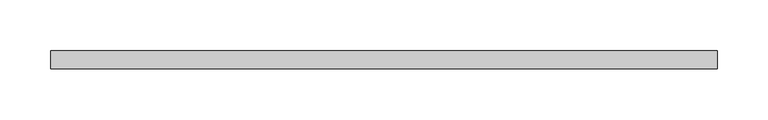
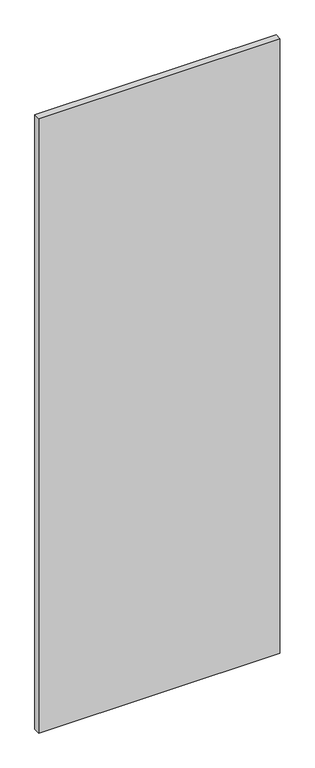
"""IFC4 building model written with IfcOpenShell, lengths in millimetres: plate geometry."""

from ifc_helpers import new_model, si_unit, origin, origin_with_axes, place, context, project, spatial, polyline, outline, extrude, source, transform, mapped, element, save


def plate_bf2a8b58(model_context):
    return source(origin(), model_context, "Body", "SweptSolid", [
        extrude(outline(polyline([(327.0579102, -8.73125), (-327.0579102, -8.73125), (-327.0579102, 8.73125), (327.0579102, 8.73125), (327.0579102, -8.73125)])), origin_with_axes(), (0.0, 0.0, 1.0), 1761.3),
    ])


if __name__ == "__main__":
    model = new_model("IFC4")
    model_context = context("Model", 3, world=origin())
    ifc_project = project(units=[si_unit("LENGTHUNIT", "METRE", prefix="MILLI")], contexts=[model_context])
    site = spatial("IfcSite", under=ifc_project)
    building = spatial("IfcBuilding", under=site)
    placement = place(None, origin())
    plate_shape = plate_bf2a8b58(model_context)
    element("IfcPlate", 1, at=placement, inside=building, context=model_context, shape_type="MappedRepresentation", body=[
        mapped(plate_shape, transform((0.0, 0.0, 0.0), x_axis=(1.0, 0.0, 0.0), y_axis=(0.0, 1.0, 0.0), z_axis=(0.0, 0.0, 1.0))),
    ])
    save(model, "model.ifc")
